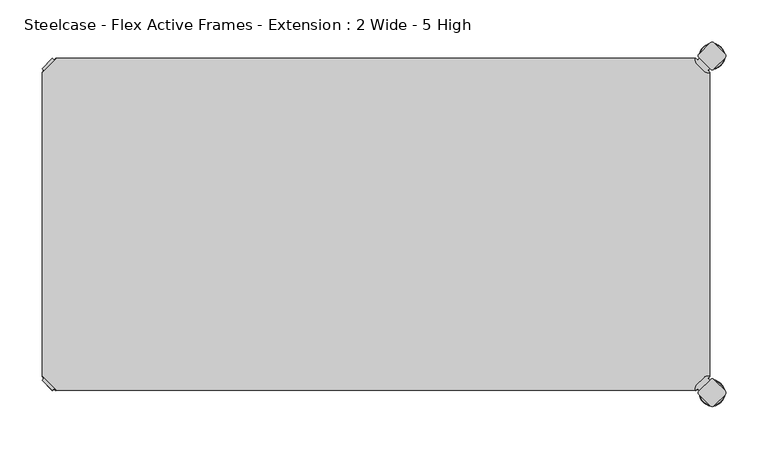
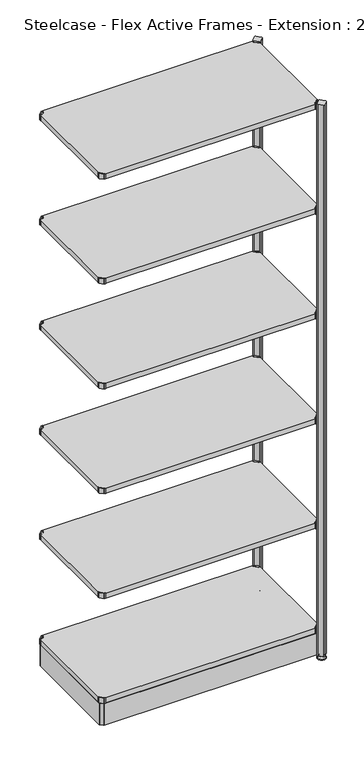
"""IFC4 building model written with IfcOpenShell, lengths in millimetres: furniture geometry, Steelcase - Flex Active Frames - Extension : 2 Wide - 5 High."""

from ifc_helpers import new_model, si_unit, point, frame, frame_2d, origin, place, context, project, spatial, polyline, circle_curve, ellipse_curve, trimmed, segment, composite_curve, outline, extrude, source, transform, mapped, element, save
from ifc_brep_helpers import plane_surface, cylinder_surface, revolved_surface, advanced_brep


def steelcase_flex_active_frames_extension_2_wide_5_high_870116cb(model_context):
    return source(origin(), model_context, "Body", "SolidModel", [
        advanced_brep(
        [(795.4995166, -396.9286835, 0.0), (809.4482375, -396.9286835, 0.0), (781.5507958, -396.9286835, 0.0), (810.3951451, -396.9286835, 2.116325), (780.6038882, -396.9286835, 2.116325), (804.2429012, -396.9286835, 8.9997406), (786.7561321, -396.9286835, 8.9997406), (802.9003852, -396.9286835, 8.9997406), (788.0986481, -396.9286835, 8.9997406), (802.9003852, -396.9286835, 12.0919909), (788.0986481, -396.9286835, 12.0919909), (802.3923852, -396.9286835, 12.5999909), (788.6066481, -396.9286835, 12.5999909), (799.518847, -396.9286835, 12.5999909), (791.4801863, -396.9286835, 12.5999909), (799.518847, -396.9286835, 22.7146261), (791.4801863, -396.9286835, 22.7146261), (795.4995166, -396.9286835, 22.7146261)],
        [
            (0, 1),
            (1, 2, circle_curve(frame((795.4995166, -396.9286835, 0.0), z_axis=(0.0, 0.0, -1.0), x_axis=(1.0, 0.0, 0.0)), 13.9487209)),
            (2, 0),
            (2, 1, circle_curve(frame((795.4995166, -396.9286835, 0.0), z_axis=(0.0, 0.0, -1.0), x_axis=(1.0, 0.0, 0.0)), 13.9487209)),
            (1, 3, circle_curve(frame((809.4482375, -396.9286835, 1.27), z_axis=(0.0, -1.0, 0.0), x_axis=(1.0, 0.0, 0.0)), 1.27)),
            (3, 4, circle_curve(frame((795.4995166, -396.9286835, 2.116325), z_axis=(0.0, 0.0, -1.0), x_axis=(1.0, 0.0, 0.0)), 14.8956285)),
            (4, 2, circle_curve(frame((781.5507958, -396.9286835, 1.27), z_axis=(0.0, -1.0, 0.0), x_axis=(-1.0, 0.0, 0.0)), 1.27)),
            (4, 3, circle_curve(frame((795.4995166, -396.9286835, 2.116325), z_axis=(0.0, 0.0, -1.0), x_axis=(1.0, 0.0, 0.0)), 14.8956285)),
            (3, 5),
            (5, 6, circle_curve(frame((795.4995166, -396.9286835, 8.9997406), z_axis=(0.0, 0.0, -1.0), x_axis=(1.0, 0.0, 0.0)), 8.7433846)),
            (6, 4),
            (6, 5, circle_curve(frame((795.4995166, -396.9286835, 8.9997406), z_axis=(0.0, 0.0, -1.0), x_axis=(1.0, 0.0, 0.0)), 8.7433846)),
            (5, 7),
            (7, 8, circle_curve(frame((795.4995166, -396.9286835, 8.9997406), z_axis=(0.0, 0.0, -1.0), x_axis=(1.0, 0.0, 0.0)), 7.4008685)),
            (8, 6),
            (8, 7, circle_curve(frame((795.4995166, -396.9286835, 8.9997406), z_axis=(0.0, 0.0, -1.0), x_axis=(1.0, 0.0, 0.0)), 7.4008685)),
            (7, 9),
            (9, 10, circle_curve(frame((795.4995166, -396.9286835, 12.0919909), z_axis=(0.0, 0.0, -1.0), x_axis=(1.0, 0.0, 0.0)), 7.4008685)),
            (10, 8),
            (10, 9, circle_curve(frame((795.4995166, -396.9286835, 12.0919909), z_axis=(0.0, 0.0, -1.0), x_axis=(1.0, 0.0, 0.0)), 7.4008685)),
            (9, 11, circle_curve(frame((802.3923852, -396.9286835, 12.0919909), z_axis=(0.0, -1.0, 0.0), x_axis=(1.0, 0.0, 0.0)), 0.508)),
            (11, 12, circle_curve(frame((795.4995166, -396.9286835, 12.5999909), z_axis=(0.0, 0.0, -1.0), x_axis=(1.0, 0.0, 0.0)), 6.8928685)),
            (12, 10, circle_curve(frame((788.6066481, -396.9286835, 12.0919909), z_axis=(0.0, -1.0, 0.0), x_axis=(-1.0, 0.0, 0.0)), 0.508)),
            (12, 11, circle_curve(frame((795.4995166, -396.9286835, 12.5999909), z_axis=(0.0, 0.0, -1.0), x_axis=(1.0, 0.0, 0.0)), 6.8928685)),
            (11, 13),
            (13, 14, circle_curve(frame((795.4995166, -396.9286835, 12.5999909), z_axis=(0.0, 0.0, -1.0), x_axis=(1.0, 0.0, 0.0)), 4.0193303)),
            (14, 12),
            (14, 13, circle_curve(frame((795.4995166, -396.9286835, 12.5999909), z_axis=(0.0, 0.0, -1.0), x_axis=(1.0, 0.0, 0.0)), 4.0193303)),
            (13, 15),
            (15, 16, circle_curve(frame((795.4995166, -396.9286835, 22.7146261), z_axis=(0.0, 0.0, -1.0), x_axis=(1.0, 0.0, 0.0)), 4.0193303)),
            (16, 14),
            (16, 15, circle_curve(frame((795.4995166, -396.9286835, 22.7146261), z_axis=(0.0, 0.0, -1.0), x_axis=(1.0, 0.0, 0.0)), 4.0193303)),
            (15, 17),
            (17, 16),
        ],
        [
            plane_surface(frame((795.4995166, -396.9286835, 0.0), z_axis=(0.0, 0.0, -1.0), x_axis=(1.0, 0.0, 0.0))),
            revolved_surface(trimmed(ellipse_curve(frame((809.4482375, -396.9286835, 1.27), z_axis=(0.0, 1.0, 0.0), x_axis=(1.0, 0.0, 0.0)), 1.27, 1.27), [point((810.3951451, -396.9286835, 2.116325))], [point((809.4482375, -396.9286835, 0.0))], True, "CARTESIAN"), (795.4995166, -396.9286835, 32.0514718), (0.0, 0.0, -1.0)),
            revolved_surface(polyline([(804.2429012, -396.9286835, 8.9997406), (810.3951451, -396.9286835, 2.116325)]), (795.4995166, -396.9286835, 32.0514718), (0.0, 0.0, -1.0)),
            plane_surface(frame((795.4995166, -396.9286835, 8.9997406), z_axis=(0.0, 0.0, 1.0), x_axis=(1.0, 0.0, 0.0))),
            cylinder_surface(frame((795.4995166, -396.9286835, 32.0514718), z_axis=(0.0, 0.0, -1.0), x_axis=(1.0, 0.0, 0.0)), 7.4008685),
            revolved_surface(trimmed(ellipse_curve(frame((802.3923852, -396.9286835, 12.0919909), z_axis=(0.0, 1.0, 0.0), x_axis=(1.0, 0.0, 0.0)), 0.508, 0.508), [point((802.3923852, -396.9286835, 12.5999909))], [point((802.9003852, -396.9286835, 12.0919909))], True, "CARTESIAN"), (795.4995166, -396.9286835, 32.0514718), (0.0, 0.0, -1.0)),
            plane_surface(frame((795.4995166, -396.9286835, 12.5999909), z_axis=(0.0, 0.0, 1.0), x_axis=(1.0, 0.0, 0.0))),
            cylinder_surface(frame((795.4995166, -396.9286835, 32.0514718), z_axis=(0.0, 0.0, -1.0), x_axis=(1.0, 0.0, 0.0)), 4.0193303),
            plane_surface(frame((795.4995166, -396.9286835, 22.7146261), z_axis=(0.0, 0.0, 1.0), x_axis=(1.0, 0.0, 0.0))),
        ],
        [
            (0, [[1, 2, 3]]),
            (0, [[-3, 4, -1]]),
            (1, [[-2, 5, 6, 7]]),
            (1, [[-4, -7, 8, -5]]),
            (2, [[-6, 9, 10, 11]]),
            (2, [[-8, -11, 12, -9]]),
            (3, [[-10, 13, 14, 15]]),
            (3, [[-12, -15, 16, -13]]),
            (4, [[-14, 17, 18, 19]]),
            (4, [[-16, -19, 20, -17]]),
            (5, [[-18, 21, 22, 23]]),
            (5, [[-20, -23, 24, -21]]),
            (6, [[-22, 25, 26, 27]]),
            (6, [[-24, -27, 28, -25]]),
            (7, [[-26, 29, 30, 31]]),
            (7, [[-28, -31, 32, -29]]),
            (8, [[-30, 33, 34]]),
            (8, [[-32, -34, -33]]),
        ],
    ),
        advanced_brep(
        [(795.4995166, 2.9246323, 0.0), (781.5507958, 2.9246323, 0.0), (809.4482375, 2.9246323, 0.0), (780.6038882, 2.9246323, 2.116325), (810.3951451, 2.9246323, 2.116325), (786.7561321, 2.9246323, 8.9997406), (804.2429012, 2.9246323, 8.9997406), (788.0986481, 2.9246323, 8.9997406), (802.9003852, 2.9246323, 8.9997406), (788.0986481, 2.9246323, 12.0919909), (802.9003852, 2.9246323, 12.0919909), (788.6066481, 2.9246323, 12.5999909), (802.3923852, 2.9246323, 12.5999909), (791.4801863, 2.9246323, 12.5999909), (799.518847, 2.9246323, 12.5999909), (791.4801863, 2.9246323, 22.7146261), (799.518847, 2.9246323, 22.7146261), (795.4995166, 2.9246323, 22.7146261)],
        [
            (0, 1),
            (1, 2, circle_curve(frame((795.4995166, 2.9246323, 0.0), z_axis=(0.0, 0.0, -1.0), x_axis=(1.0, 0.0, 0.0)), 13.9487209)),
            (2, 0),
            (2, 1, circle_curve(frame((795.4995166, 2.9246323, 0.0), z_axis=(0.0, 0.0, -1.0), x_axis=(1.0, 0.0, 0.0)), 13.9487209)),
            (1, 3, circle_curve(frame((781.5507958, 2.9246323, 1.27), z_axis=(0.0, 1.0, 0.0), x_axis=(-1.0, 0.0, 0.0)), 1.27)),
            (3, 4, circle_curve(frame((795.4995166, 2.9246323, 2.116325), z_axis=(0.0, 0.0, -1.0), x_axis=(1.0, 0.0, 0.0)), 14.8956285)),
            (4, 2, circle_curve(frame((809.4482375, 2.9246323, 1.27), z_axis=(0.0, 1.0, 0.0), x_axis=(1.0, 0.0, 0.0)), 1.27)),
            (4, 3, circle_curve(frame((795.4995166, 2.9246323, 2.116325), z_axis=(0.0, 0.0, -1.0), x_axis=(1.0, 0.0, 0.0)), 14.8956285)),
            (3, 5),
            (5, 6, circle_curve(frame((795.4995166, 2.9246323, 8.9997406), z_axis=(0.0, 0.0, -1.0), x_axis=(1.0, 0.0, 0.0)), 8.7433846)),
            (6, 4),
            (6, 5, circle_curve(frame((795.4995166, 2.9246323, 8.9997406), z_axis=(0.0, 0.0, -1.0), x_axis=(1.0, 0.0, 0.0)), 8.7433846)),
            (5, 7),
            (7, 8, circle_curve(frame((795.4995166, 2.9246323, 8.9997406), z_axis=(0.0, 0.0, -1.0), x_axis=(1.0, 0.0, 0.0)), 7.4008685)),
            (8, 6),
            (8, 7, circle_curve(frame((795.4995166, 2.9246323, 8.9997406), z_axis=(0.0, 0.0, -1.0), x_axis=(1.0, 0.0, 0.0)), 7.4008685)),
            (7, 9),
            (9, 10, circle_curve(frame((795.4995166, 2.9246323, 12.0919909), z_axis=(0.0, 0.0, -1.0), x_axis=(1.0, 0.0, 0.0)), 7.4008685)),
            (10, 8),
            (10, 9, circle_curve(frame((795.4995166, 2.9246323, 12.0919909), z_axis=(0.0, 0.0, -1.0), x_axis=(1.0, 0.0, 0.0)), 7.4008685)),
            (9, 11, circle_curve(frame((788.6066481, 2.9246323, 12.0919909), z_axis=(0.0, 1.0, 0.0), x_axis=(-1.0, 0.0, 0.0)), 0.508)),
            (11, 12, circle_curve(frame((795.4995166, 2.9246323, 12.5999909), z_axis=(0.0, 0.0, -1.0), x_axis=(1.0, 0.0, 0.0)), 6.8928685)),
            (12, 10, circle_curve(frame((802.3923852, 2.9246323, 12.0919909), z_axis=(0.0, 1.0, 0.0), x_axis=(1.0, 0.0, 0.0)), 0.508)),
            (12, 11, circle_curve(frame((795.4995166, 2.9246323, 12.5999909), z_axis=(0.0, 0.0, -1.0), x_axis=(1.0, 0.0, 0.0)), 6.8928685)),
            (11, 13),
            (13, 14, circle_curve(frame((795.4995166, 2.9246323, 12.5999909), z_axis=(0.0, 0.0, -1.0), x_axis=(1.0, 0.0, 0.0)), 4.0193303)),
            (14, 12),
            (14, 13, circle_curve(frame((795.4995166, 2.9246323, 12.5999909), z_axis=(0.0, 0.0, -1.0), x_axis=(1.0, 0.0, 0.0)), 4.0193303)),
            (13, 15),
            (15, 16, circle_curve(frame((795.4995166, 2.9246323, 22.7146261), z_axis=(0.0, 0.0, -1.0), x_axis=(1.0, 0.0, 0.0)), 4.0193303)),
            (16, 14),
            (16, 15, circle_curve(frame((795.4995166, 2.9246323, 22.7146261), z_axis=(0.0, 0.0, -1.0), x_axis=(1.0, 0.0, 0.0)), 4.0193303)),
            (15, 17),
            (17, 16),
        ],
        [
            plane_surface(frame((795.4995166, 2.9246323, 0.0), z_axis=(0.0, 0.0, -1.0), x_axis=(1.0, 0.0, 0.0))),
            revolved_surface(trimmed(ellipse_curve(frame((809.4482375, 2.9246323, 1.27), z_axis=(0.0, 1.0, 0.0), x_axis=(1.0, 0.0, 0.0)), 1.27, 1.27), [point((810.3951451, 2.9246323, 2.116325))], [point((809.4482375, 2.9246323, 0.0))], True, "CARTESIAN"), (795.4995166, 2.9246323, 32.0514718), (0.0, 0.0, -1.0)),
            revolved_surface(polyline([(804.2429012, 2.9246323, 8.9997406), (810.3951451, 2.9246323, 2.116325)]), (795.4995166, 2.9246323, 32.0514718), (0.0, 0.0, -1.0)),
            plane_surface(frame((795.4995166, 2.9246323, 8.9997406), z_axis=(0.0, 0.0, 1.0), x_axis=(1.0, 0.0, 0.0))),
            cylinder_surface(frame((795.4995166, 2.9246323, 32.0514718), z_axis=(0.0, 0.0, -1.0), x_axis=(1.0, 0.0, 0.0)), 7.4008685),
            revolved_surface(trimmed(ellipse_curve(frame((802.3923852, 2.9246323, 12.0919909), z_axis=(0.0, 1.0, 0.0), x_axis=(1.0, 0.0, 0.0)), 0.508, 0.508), [point((802.3923852, 2.9246323, 12.5999909))], [point((802.9003852, 2.9246323, 12.0919909))], True, "CARTESIAN"), (795.4995166, 2.9246323, 32.0514718), (0.0, 0.0, -1.0)),
            plane_surface(frame((795.4995166, 2.9246323, 12.5999909), z_axis=(0.0, 0.0, 1.0), x_axis=(1.0, 0.0, 0.0))),
            cylinder_surface(frame((795.4995166, 2.9246323, 32.0514718), z_axis=(0.0, 0.0, -1.0), x_axis=(1.0, 0.0, 0.0)), 4.0193303),
            plane_surface(frame((795.4995166, 2.9246323, 22.7146261), z_axis=(0.0, 0.0, 1.0), x_axis=(1.0, 0.0, 0.0))),
        ],
        [
            (0, [[1, 2, 3]]),
            (0, [[-3, 4, -1]]),
            (1, [[5, 6, 7, -2]]),
            (1, [[-7, 8, -5, -4]]),
            (2, [[9, 10, 11, -6]]),
            (2, [[-11, 12, -9, -8]]),
            (3, [[13, 14, 15, -10]]),
            (3, [[-15, 16, -13, -12]]),
            (4, [[17, 18, 19, -14]]),
            (4, [[-19, 20, -17, -16]]),
            (5, [[21, 22, 23, -18]]),
            (5, [[-23, 24, -21, -20]]),
            (6, [[25, 26, 27, -22]]),
            (6, [[-27, 28, -25, -24]]),
            (7, [[29, 30, 31, -26]]),
            (7, [[-31, 32, -29, -28]]),
            (8, [[33, 34, -30]]),
            (8, [[-34, -33, -32]]),
        ],
    ),
        extrude(outline(composite_curve([segment(polyline([(778.3364357, -1.93874), (780.4244011, 0.1493247), (792.6187028, -12.044977), (790.530772, -14.1329326), (792.5017057, -16.1038431), (792.4895198, -17.203916), (789.7543812, -16.8384277)]), True, "CONTINUOUS"), segment(trimmed(circle_curve(frame_2d((790.5954366, -10.5443729)), 6.35), [point((789.7543812, -16.8384277))], [point((786.1052784, -15.0344708))], False, "CARTESIAN"), True, "CONTINUOUS"), segment(polyline([(786.1052784, -15.0344708), (777.4359854, -6.3650612)]), True, "CONTINUOUS"), segment(trimmed(circle_curve(frame_2d((781.9261436, -1.8749633)), 6.35), [point((777.4359854, -6.3650612))], [point((775.6321123, -2.7161946))], False, "CARTESIAN"), True, "CONTINUOUS"), segment(polyline([(775.6321123, -2.7161946), (775.26654, 0.0189911), (776.3664729, 0.0311996), (778.3364357, -1.93874)]), True, "CONTINUOUS")], self_intersect=False)), frame((0.0, 0.0, 2096.4822075), z_axis=(0.0, 0.0, 1.0), x_axis=(1.0, 0.0, 0.0)), (0.0, 0.0, 1.0), 20.2281258),
        extrude(outline(composite_curve([segment(polyline([(778.3364357, -392.01526), (776.3664729, -393.9851996), (775.26654, -393.9729911), (775.6321123, -391.2378054)]), True, "CONTINUOUS"), segment(trimmed(circle_curve(frame_2d((781.9261436, -392.0790367)), 6.35), [point((775.6321123, -391.2378054))], [point((777.4359854, -387.5889388))], False, "CARTESIAN"), True, "CONTINUOUS"), segment(polyline([(777.4359854, -387.5889388), (786.1052784, -378.9195292)]), True, "CONTINUOUS"), segment(trimmed(circle_curve(frame_2d((790.5954366, -383.4096271)), 6.35), [point((786.1052784, -378.9195292))], [point((789.7543812, -377.1155723))], False, "CARTESIAN"), True, "CONTINUOUS"), segment(polyline([(789.7543812, -377.1155723), (792.4895198, -376.750084), (792.5017057, -377.8501569), (790.530772, -379.8210674), (792.6187028, -381.909023), (780.4244011, -394.1033247), (778.3364357, -392.01526)]), True, "CONTINUOUS")], self_intersect=False)), frame((0.0, 0.0, 2096.4822075), z_axis=(0.0, 0.0, 1.0), x_axis=(1.0, 0.0, 0.0)), (0.0, 0.0, 1.0), 20.2281258),
        extrude(outline(polyline([(0.0003876, -376.7599914), (0.0003876, -17.1940086), (17.1943962, 0.0), (775.2856038, 0.0), (792.4796124, -17.1940086), (792.4796124, -376.7599914), (775.2856038, -393.954), (17.1943962, -393.954), (0.0003876, -376.7599914)])), frame((0.0, 0.0, 2097.4996841), z_axis=(0.0, 0.0, 1.0), x_axis=(1.0, 0.0, 0.0)), (0.0, 0.0, 1.0), 19.0000031),
        extrude(outline(composite_curve([segment(polyline([(14.1435643, -1.93874), (16.1135271, 0.0311996), (17.21346, 0.0189911), (16.8478877, -2.7161946)]), True, "CONTINUOUS"), segment(trimmed(circle_curve(frame_2d((10.5538564, -1.8749633)), 6.35), [point((16.8478877, -2.7161946))], [point((15.0440146, -6.3650612))], False, "CARTESIAN"), True, "CONTINUOUS"), segment(polyline([(15.0440146, -6.3650612), (6.3747216, -15.0344708)]), True, "CONTINUOUS"), segment(trimmed(circle_curve(frame_2d((1.8845634, -10.5443729)), 6.35), [point((6.3747216, -15.0344708))], [point((2.7256188, -16.8384277))], False, "CARTESIAN"), True, "CONTINUOUS"), segment(polyline([(2.7256188, -16.8384277), (-0.0095198, -17.203916), (-0.0217057, -16.1038431), (1.949228, -14.1329326), (-0.1387028, -12.044977), (12.0555989, 0.1493247), (14.1435643, -1.93874)]), True, "CONTINUOUS")], self_intersect=False)), frame((0.0, 0.0, 2096.4822075), z_axis=(0.0, 0.0, 1.0), x_axis=(1.0, 0.0, 0.0)), (0.0, 0.0, 1.0), 20.2281258),
        extrude(outline(composite_curve([segment(polyline([(14.1435643, -392.01526), (12.0555989, -394.1033247), (-0.1387028, -381.909023), (1.949228, -379.8210674), (-0.0217057, -377.8501569), (-0.0095198, -376.750084), (2.7256188, -377.1155723)]), True, "CONTINUOUS"), segment(trimmed(circle_curve(frame_2d((1.8845634, -383.4096271)), 6.35), [point((2.7256188, -377.1155723))], [point((6.3747216, -378.9195292))], False, "CARTESIAN"), True, "CONTINUOUS"), segment(polyline([(6.3747216, -378.9195292), (15.0440146, -387.5889388)]), True, "CONTINUOUS"), segment(trimmed(circle_curve(frame_2d((10.5538564, -392.0790367)), 6.35), [point((15.0440146, -387.5889388))], [point((16.8478877, -391.2378054))], False, "CARTESIAN"), True, "CONTINUOUS"), segment(polyline([(16.8478877, -391.2378054), (17.21346, -393.9729911), (16.1135271, -393.9851996), (14.1435643, -392.01526)]), True, "CONTINUOUS")], self_intersect=False)), frame((0.0, 0.0, 2096.4822075), z_axis=(0.0, 0.0, 1.0), x_axis=(1.0, 0.0, 0.0)), (0.0, 0.0, 1.0), 20.2281258),
        extrude(outline(composite_curve([segment(polyline([(778.3364357, -1.93874), (780.4244011, 0.1493247), (792.6187028, -12.044977), (790.530772, -14.1329326), (792.5017057, -16.1038431), (792.4895198, -17.203916), (789.7543812, -16.8384277)]), True, "CONTINUOUS"), segment(trimmed(circle_curve(frame_2d((790.5954366, -10.5443729)), 6.35), [point((789.7543812, -16.8384277))], [point((786.1052784, -15.0344708))], False, "CARTESIAN"), True, "CONTINUOUS"), segment(polyline([(786.1052784, -15.0344708), (777.4359854, -6.3650612)]), True, "CONTINUOUS"), segment(trimmed(circle_curve(frame_2d((781.9261436, -1.8749633)), 6.35), [point((777.4359854, -6.3650612))], [point((775.6321123, -2.7161946))], False, "CARTESIAN"), True, "CONTINUOUS"), segment(polyline([(775.6321123, -2.7161946), (775.26654, 0.0189911), (776.3664729, 0.0311996), (778.3364357, -1.93874)]), True, "CONTINUOUS")], self_intersect=False)), frame((0.0, 0.0, 1696.4822044), z_axis=(0.0, 0.0, 1.0), x_axis=(1.0, 0.0, 0.0)), (0.0, 0.0, 1.0), 20.2281258),
        extrude(outline(composite_curve([segment(polyline([(778.3364357, -392.01526), (776.3664729, -393.9851996), (775.26654, -393.9729911), (775.6321123, -391.2378054)]), True, "CONTINUOUS"), segment(trimmed(circle_curve(frame_2d((781.9261436, -392.0790367)), 6.35), [point((775.6321123, -391.2378054))], [point((777.4359854, -387.5889388))], False, "CARTESIAN"), True, "CONTINUOUS"), segment(polyline([(777.4359854, -387.5889388), (786.1052784, -378.9195292)]), True, "CONTINUOUS"), segment(trimmed(circle_curve(frame_2d((790.5954366, -383.4096271)), 6.35), [point((786.1052784, -378.9195292))], [point((789.7543812, -377.1155723))], False, "CARTESIAN"), True, "CONTINUOUS"), segment(polyline([(789.7543812, -377.1155723), (792.4895198, -376.750084), (792.5017057, -377.8501569), (790.530772, -379.8210674), (792.6187028, -381.909023), (780.4244011, -394.1033247), (778.3364357, -392.01526)]), True, "CONTINUOUS")], self_intersect=False)), frame((0.0, 0.0, 1696.4822044), z_axis=(0.0, 0.0, 1.0), x_axis=(1.0, 0.0, 0.0)), (0.0, 0.0, 1.0), 20.2281258),
        extrude(outline(polyline([(0.0003876, -376.7599914), (0.0003876, -17.1940086), (17.1943962, 0.0), (775.2856038, 0.0), (792.4796124, -17.1940086), (792.4796124, -376.7599914), (775.2856038, -393.954), (17.1943962, -393.954), (0.0003876, -376.7599914)])), frame((0.0, 0.0, 1697.4996811), z_axis=(0.0, 0.0, 1.0), x_axis=(1.0, 0.0, 0.0)), (0.0, 0.0, 1.0), 19.0000031),
        extrude(outline(composite_curve([segment(polyline([(14.1435643, -1.93874), (16.1135271, 0.0311996), (17.21346, 0.0189911), (16.8478877, -2.7161946)]), True, "CONTINUOUS"), segment(trimmed(circle_curve(frame_2d((10.5538564, -1.8749633)), 6.35), [point((16.8478877, -2.7161946))], [point((15.0440146, -6.3650612))], False, "CARTESIAN"), True, "CONTINUOUS"), segment(polyline([(15.0440146, -6.3650612), (6.3747216, -15.0344708)]), True, "CONTINUOUS"), segment(trimmed(circle_curve(frame_2d((1.8845634, -10.5443729)), 6.35), [point((6.3747216, -15.0344708))], [point((2.7256188, -16.8384277))], False, "CARTESIAN"), True, "CONTINUOUS"), segment(polyline([(2.7256188, -16.8384277), (-0.0095198, -17.203916), (-0.0217057, -16.1038431), (1.949228, -14.1329326), (-0.1387028, -12.044977), (12.0555989, 0.1493247), (14.1435643, -1.93874)]), True, "CONTINUOUS")], self_intersect=False)), frame((0.0, 0.0, 1696.4822044), z_axis=(0.0, 0.0, 1.0), x_axis=(1.0, 0.0, 0.0)), (0.0, 0.0, 1.0), 20.2281258),
        extrude(outline(composite_curve([segment(polyline([(14.1435643, -392.01526), (12.0555989, -394.1033247), (-0.1387028, -381.909023), (1.949228, -379.8210674), (-0.0217057, -377.8501569), (-0.0095198, -376.750084), (2.7256188, -377.1155723)]), True, "CONTINUOUS"), segment(trimmed(circle_curve(frame_2d((1.8845634, -383.4096271)), 6.35), [point((2.7256188, -377.1155723))], [point((6.3747216, -378.9195292))], False, "CARTESIAN"), True, "CONTINUOUS"), segment(polyline([(6.3747216, -378.9195292), (15.0440146, -387.5889388)]), True, "CONTINUOUS"), segment(trimmed(circle_curve(frame_2d((10.5538564, -392.0790367)), 6.35), [point((15.0440146, -387.5889388))], [point((16.8478877, -391.2378054))], False, "CARTESIAN"), True, "CONTINUOUS"), segment(polyline([(16.8478877, -391.2378054), (17.21346, -393.9729911), (16.1135271, -393.9851996), (14.1435643, -392.01526)]), True, "CONTINUOUS")], self_intersect=False)), frame((0.0, 0.0, 1696.4822044), z_axis=(0.0, 0.0, 1.0), x_axis=(1.0, 0.0, 0.0)), (0.0, 0.0, 1.0), 20.2281258),
        extrude(outline(composite_curve([segment(polyline([(778.3364357, -1.93874), (780.4244011, 0.1493247), (792.6187028, -12.044977), (790.530772, -14.1329326), (792.5017057, -16.1038431), (792.4895198, -17.203916), (789.7543812, -16.8384277)]), True, "CONTINUOUS"), segment(trimmed(circle_curve(frame_2d((790.5954366, -10.5443729)), 6.35), [point((789.7543812, -16.8384277))], [point((786.1052784, -15.0344708))], False, "CARTESIAN"), True, "CONTINUOUS"), segment(polyline([(786.1052784, -15.0344708), (777.4359854, -6.3650612)]), True, "CONTINUOUS"), segment(trimmed(circle_curve(frame_2d((781.9261436, -1.8749633)), 6.35), [point((777.4359854, -6.3650612))], [point((775.6321123, -2.7161946))], False, "CARTESIAN"), True, "CONTINUOUS"), segment(polyline([(775.6321123, -2.7161946), (775.26654, 0.0189911), (776.3664729, 0.0311996), (778.3364357, -1.93874)]), True, "CONTINUOUS")], self_intersect=False)), frame((0.0, 0.0, 1296.4822014), z_axis=(0.0, 0.0, 1.0), x_axis=(1.0, 0.0, 0.0)), (0.0, 0.0, 1.0), 20.2281258),
        extrude(outline(composite_curve([segment(polyline([(778.3364357, -392.01526), (776.3664729, -393.9851996), (775.26654, -393.9729911), (775.6321123, -391.2378054)]), True, "CONTINUOUS"), segment(trimmed(circle_curve(frame_2d((781.9261436, -392.0790367)), 6.35), [point((775.6321123, -391.2378054))], [point((777.4359854, -387.5889388))], False, "CARTESIAN"), True, "CONTINUOUS"), segment(polyline([(777.4359854, -387.5889388), (786.1052784, -378.9195292)]), True, "CONTINUOUS"), segment(trimmed(circle_curve(frame_2d((790.5954366, -383.4096271)), 6.35), [point((786.1052784, -378.9195292))], [point((789.7543812, -377.1155723))], False, "CARTESIAN"), True, "CONTINUOUS"), segment(polyline([(789.7543812, -377.1155723), (792.4895198, -376.750084), (792.5017057, -377.8501569), (790.530772, -379.8210674), (792.6187028, -381.909023), (780.4244011, -394.1033247), (778.3364357, -392.01526)]), True, "CONTINUOUS")], self_intersect=False)), frame((0.0, 0.0, 1296.4822014), z_axis=(0.0, 0.0, 1.0), x_axis=(1.0, 0.0, 0.0)), (0.0, 0.0, 1.0), 20.2281258),
        extrude(outline(polyline([(0.0003876, -376.7599914), (0.0003876, -17.1940086), (17.1943962, 0.0), (775.2856038, 0.0), (792.4796124, -17.1940086), (792.4796124, -376.7599914), (775.2856038, -393.954), (17.1943962, -393.954), (0.0003876, -376.7599914)])), frame((0.0, 0.0, 1297.499678), z_axis=(0.0, 0.0, 1.0), x_axis=(1.0, 0.0, 0.0)), (0.0, 0.0, 1.0), 19.0000031),
        extrude(outline(composite_curve([segment(polyline([(14.1435643, -1.93874), (16.1135271, 0.0311996), (17.21346, 0.0189911), (16.8478877, -2.7161946)]), True, "CONTINUOUS"), segment(trimmed(circle_curve(frame_2d((10.5538564, -1.8749633)), 6.35), [point((16.8478877, -2.7161946))], [point((15.0440146, -6.3650612))], False, "CARTESIAN"), True, "CONTINUOUS"), segment(polyline([(15.0440146, -6.3650612), (6.3747216, -15.0344708)]), True, "CONTINUOUS"), segment(trimmed(circle_curve(frame_2d((1.8845634, -10.5443729)), 6.35), [point((6.3747216, -15.0344708))], [point((2.7256188, -16.8384277))], False, "CARTESIAN"), True, "CONTINUOUS"), segment(polyline([(2.7256188, -16.8384277), (-0.0095198, -17.203916), (-0.0217057, -16.1038431), (1.949228, -14.1329326), (-0.1387028, -12.044977), (12.0555989, 0.1493247), (14.1435643, -1.93874)]), True, "CONTINUOUS")], self_intersect=False)), frame((0.0, 0.0, 1296.4822014), z_axis=(0.0, 0.0, 1.0), x_axis=(1.0, 0.0, 0.0)), (0.0, 0.0, 1.0), 20.2281258),
        extrude(outline(composite_curve([segment(polyline([(14.1435643, -392.01526), (12.0555989, -394.1033247), (-0.1387028, -381.909023), (1.949228, -379.8210674), (-0.0217057, -377.8501569), (-0.0095198, -376.750084), (2.7256188, -377.1155723)]), True, "CONTINUOUS"), segment(trimmed(circle_curve(frame_2d((1.8845634, -383.4096271)), 6.35), [point((2.7256188, -377.1155723))], [point((6.3747216, -378.9195292))], False, "CARTESIAN"), True, "CONTINUOUS"), segment(polyline([(6.3747216, -378.9195292), (15.0440146, -387.5889388)]), True, "CONTINUOUS"), segment(trimmed(circle_curve(frame_2d((10.5538564, -392.0790367)), 6.35), [point((15.0440146, -387.5889388))], [point((16.8478877, -391.2378054))], False, "CARTESIAN"), True, "CONTINUOUS"), segment(polyline([(16.8478877, -391.2378054), (17.21346, -393.9729911), (16.1135271, -393.9851996), (14.1435643, -392.01526)]), True, "CONTINUOUS")], self_intersect=False)), frame((0.0, 0.0, 1296.4822014), z_axis=(0.0, 0.0, 1.0), x_axis=(1.0, 0.0, 0.0)), (0.0, 0.0, 1.0), 20.2281258),
        extrude(outline(composite_curve([segment(polyline([(778.3364357, -1.93874), (780.4244011, 0.1493247), (792.6187028, -12.044977), (790.530772, -14.1329326), (792.5017057, -16.1038431), (792.4895198, -17.203916), (789.7543812, -16.8384277)]), True, "CONTINUOUS"), segment(trimmed(circle_curve(frame_2d((790.5954366, -10.5443729)), 6.35), [point((789.7543812, -16.8384277))], [point((786.1052784, -15.0344708))], False, "CARTESIAN"), True, "CONTINUOUS"), segment(polyline([(786.1052784, -15.0344708), (777.4359854, -6.3650612)]), True, "CONTINUOUS"), segment(trimmed(circle_curve(frame_2d((781.9261436, -1.8749633)), 6.35), [point((777.4359854, -6.3650612))], [point((775.6321123, -2.7161946))], False, "CARTESIAN"), True, "CONTINUOUS"), segment(polyline([(775.6321123, -2.7161946), (775.26654, 0.0189911), (776.3664729, 0.0311996), (778.3364357, -1.93874)]), True, "CONTINUOUS")], self_intersect=False)), frame((0.0, 0.0, 896.4822952), z_axis=(0.0, 0.0, 1.0), x_axis=(1.0, 0.0, 0.0)), (0.0, 0.0, 1.0), 20.2281258),
        extrude(outline(composite_curve([segment(polyline([(778.3364357, -392.01526), (776.3664729, -393.9851996), (775.26654, -393.9729911), (775.6321123, -391.2378054)]), True, "CONTINUOUS"), segment(trimmed(circle_curve(frame_2d((781.9261436, -392.0790367)), 6.35), [point((775.6321123, -391.2378054))], [point((777.4359854, -387.5889388))], False, "CARTESIAN"), True, "CONTINUOUS"), segment(polyline([(777.4359854, -387.5889388), (786.1052784, -378.9195292)]), True, "CONTINUOUS"), segment(trimmed(circle_curve(frame_2d((790.5954366, -383.4096271)), 6.35), [point((786.1052784, -378.9195292))], [point((789.7543812, -377.1155723))], False, "CARTESIAN"), True, "CONTINUOUS"), segment(polyline([(789.7543812, -377.1155723), (792.4895198, -376.750084), (792.5017057, -377.8501569), (790.530772, -379.8210674), (792.6187028, -381.909023), (780.4244011, -394.1033247), (778.3364357, -392.01526)]), True, "CONTINUOUS")], self_intersect=False)), frame((0.0, 0.0, 896.4822952), z_axis=(0.0, 0.0, 1.0), x_axis=(1.0, 0.0, 0.0)), (0.0, 0.0, 1.0), 20.2281258),
        extrude(outline(composite_curve([segment(polyline([(778.3364357, -1.93874), (780.4244011, 0.1493247), (792.6187028, -12.044977), (790.530772, -14.1329326), (792.5017057, -16.1038431), (792.4895198, -17.203916), (789.7543812, -16.8384277)]), True, "CONTINUOUS"), segment(trimmed(circle_curve(frame_2d((790.5954366, -10.5443729)), 6.35), [point((789.7543812, -16.8384277))], [point((786.1052784, -15.0344708))], False, "CARTESIAN"), True, "CONTINUOUS"), segment(polyline([(786.1052784, -15.0344708), (777.4359854, -6.3650612)]), True, "CONTINUOUS"), segment(trimmed(circle_curve(frame_2d((781.9261436, -1.8749633)), 6.35), [point((777.4359854, -6.3650612))], [point((775.6321123, -2.7161946))], False, "CARTESIAN"), True, "CONTINUOUS"), segment(polyline([(775.6321123, -2.7161946), (775.26654, 0.0189911), (776.3664729, 0.0311996), (778.3364357, -1.93874)]), True, "CONTINUOUS")], self_intersect=False)), frame((0.0, 0.0, 496.4821468), z_axis=(0.0, 0.0, 1.0), x_axis=(1.0, 0.0, 0.0)), (0.0, 0.0, 1.0), 20.2281258),
        extrude(outline(composite_curve([segment(polyline([(778.3364357, -392.01526), (776.3664729, -393.9851996), (775.26654, -393.9729911), (775.6321123, -391.2378054)]), True, "CONTINUOUS"), segment(trimmed(circle_curve(frame_2d((781.9261436, -392.0790367)), 6.35), [point((775.6321123, -391.2378054))], [point((777.4359854, -387.5889388))], False, "CARTESIAN"), True, "CONTINUOUS"), segment(polyline([(777.4359854, -387.5889388), (786.1052784, -378.9195292)]), True, "CONTINUOUS"), segment(trimmed(circle_curve(frame_2d((790.5954366, -383.4096271)), 6.35), [point((786.1052784, -378.9195292))], [point((789.7543812, -377.1155723))], False, "CARTESIAN"), True, "CONTINUOUS"), segment(polyline([(789.7543812, -377.1155723), (792.4895198, -376.750084), (792.5017057, -377.8501569), (790.530772, -379.8210674), (792.6187028, -381.909023), (780.4244011, -394.1033247), (778.3364357, -392.01526)]), True, "CONTINUOUS")], self_intersect=False)), frame((0.0, 0.0, 496.4821468), z_axis=(0.0, 0.0, 1.0), x_axis=(1.0, 0.0, 0.0)), (0.0, 0.0, 1.0), 20.2281258),
        extrude(outline(composite_curve([segment(polyline([(778.3364357, -1.93874), (780.4244011, 0.1493247), (792.6187028, -12.044977), (790.530772, -14.1329326), (792.5017057, -16.1038431), (792.4895198, -17.203916), (789.7543812, -16.8384277)]), True, "CONTINUOUS"), segment(trimmed(circle_curve(frame_2d((790.5954366, -10.5443729)), 6.35), [point((789.7543812, -16.8384277))], [point((786.1052784, -15.0344708))], False, "CARTESIAN"), True, "CONTINUOUS"), segment(polyline([(786.1052784, -15.0344708), (777.4359854, -6.3650612)]), True, "CONTINUOUS"), segment(trimmed(circle_curve(frame_2d((781.9261436, -1.8749633)), 6.35), [point((777.4359854, -6.3650612))], [point((775.6321123, -2.7161946))], False, "CARTESIAN"), True, "CONTINUOUS"), segment(polyline([(775.6321123, -2.7161946), (775.26654, 0.0189911), (776.3664729, 0.0311996), (778.3364357, -1.93874)]), True, "CONTINUOUS")], self_intersect=False)), frame((0.0, 0.0, 96.4824829), z_axis=(0.0, 0.0, 1.0), x_axis=(1.0, 0.0, 0.0)), (0.0, 0.0, 1.0), 20.2281258),
        extrude(outline(composite_curve([segment(polyline([(778.3364357, -392.01526), (776.3664729, -393.9851996), (775.26654, -393.9729911), (775.6321123, -391.2378054)]), True, "CONTINUOUS"), segment(trimmed(circle_curve(frame_2d((781.9261436, -392.0790367)), 6.35), [point((775.6321123, -391.2378054))], [point((777.4359854, -387.5889388))], False, "CARTESIAN"), True, "CONTINUOUS"), segment(polyline([(777.4359854, -387.5889388), (786.1052784, -378.9195292)]), True, "CONTINUOUS"), segment(trimmed(circle_curve(frame_2d((790.5954366, -383.4096271)), 6.35), [point((786.1052784, -378.9195292))], [point((789.7543812, -377.1155723))], False, "CARTESIAN"), True, "CONTINUOUS"), segment(polyline([(789.7543812, -377.1155723), (792.4895198, -376.750084), (792.5017057, -377.8501569), (790.530772, -379.8210674), (792.6187028, -381.909023), (780.4244011, -394.1033247), (778.3364357, -392.01526)]), True, "CONTINUOUS")], self_intersect=False)), frame((0.0, 0.0, 96.4824829), z_axis=(0.0, 0.0, 1.0), x_axis=(1.0, 0.0, 0.0)), (0.0, 0.0, 1.0), 20.2281258),
        extrude(outline(composite_curve([segment(trimmed(circle_curve(frame_2d((808.8538021, 2.9983545)), 3.048), [point((811.0090767, 5.1536029))], [point((811.0090505, 0.8430799))], False, "CARTESIAN"), True, "CONTINUOUS"), segment(polyline([(811.0090505, 0.8430799), (797.6462856, -12.5195224)]), True, "CONTINUOUS"), segment(trimmed(circle_curve(frame_2d((795.4910373, -10.3642478)), 3.048), [point((797.6462856, -12.5195224))], [point((793.3357649, -12.5194983))], False, "CARTESIAN"), True, "CONTINUOUS"), segment(polyline([(793.3357649, -12.5194983), (779.9732856, 0.8431164)]), True, "CONTINUOUS"), segment(trimmed(circle_curve(frame_2d((782.128558, 2.998367)), 3.048), [point((779.9732856, 0.8431164))], [point((779.9732965, 5.1536284))], False, "CARTESIAN"), True, "CONTINUOUS"), segment(polyline([(779.9732965, 5.1536284), (793.3359936, 18.5163256)]), True, "CONTINUOUS"), segment(trimmed(circle_curve(frame_2d((795.4912551, 16.3610641)), 3.048), [point((793.3359936, 18.5163256))], [point((797.6465297, 18.5163124))], False, "CARTESIAN"), True, "CONTINUOUS"), segment(polyline([(797.6465297, 18.5163124), (811.0090767, 5.1536029)]), True, "CONTINUOUS")], self_intersect=False)), frame((0.0, 0.0, 12.5999909), z_axis=(0.0, 0.0, 1.0), x_axis=(1.0, 0.0, 0.0)), (0.0, 0.0, 1.0), 2103.9820091),
        extrude(outline(composite_curve([segment(polyline([(811.0090767, -399.1076029), (797.6465297, -412.4703124)]), True, "CONTINUOUS"), segment(trimmed(circle_curve(frame_2d((795.4912551, -410.3150641)), 3.048), [point((797.6465297, -412.4703124))], [point((793.3359936, -412.4703256))], False, "CARTESIAN"), True, "CONTINUOUS"), segment(polyline([(793.3359936, -412.4703256), (779.9732965, -399.1076284)]), True, "CONTINUOUS"), segment(trimmed(circle_curve(frame_2d((782.128558, -396.952367)), 3.048), [point((779.9732965, -399.1076284))], [point((779.9732856, -394.7971164))], False, "CARTESIAN"), True, "CONTINUOUS"), segment(polyline([(779.9732856, -394.7971164), (793.3357649, -381.4345017)]), True, "CONTINUOUS"), segment(trimmed(circle_curve(frame_2d((795.4910373, -383.5897522)), 3.048), [point((793.3357649, -381.4345017))], [point((797.6462856, -381.4344776))], False, "CARTESIAN"), True, "CONTINUOUS"), segment(polyline([(797.6462856, -381.4344776), (811.0090505, -394.7970799)]), True, "CONTINUOUS"), segment(trimmed(circle_curve(frame_2d((808.8538021, -396.9523545)), 3.048), [point((811.0090505, -394.7970799))], [point((811.0090767, -399.1076029))], False, "CARTESIAN"), True, "CONTINUOUS")], self_intersect=False)), frame((0.0, 0.0, 12.5999909), z_axis=(0.0, 0.0, 1.0), x_axis=(1.0, 0.0, 0.0)), (0.0, 0.0, 1.0), 2103.9820091),
        extrude(outline(polyline([(0.0003876, -376.7599914), (0.0003876, -17.1940086), (17.1943962, 0.0), (775.2856038, 0.0), (792.4796124, -17.1940086), (792.4796124, -376.7599914), (775.2856038, -393.954), (17.1943962, -393.954), (0.0003876, -376.7599914)])), frame((0.0, 0.0, 97.4999596), z_axis=(0.0, 0.0, 1.0), x_axis=(1.0, 0.0, 0.0)), (0.0, 0.0, 1.0), 19.0000031),
        extrude(outline(composite_curve([segment(polyline([(14.1435643, -1.93874), (16.1135271, 0.0311996), (17.21346, 0.0189911), (16.8478877, -2.7161946)]), True, "CONTINUOUS"), segment(trimmed(circle_curve(frame_2d((10.5538564, -1.8749633)), 6.35), [point((16.8478877, -2.7161946))], [point((15.0440146, -6.3650612))], False, "CARTESIAN"), True, "CONTINUOUS"), segment(polyline([(15.0440146, -6.3650612), (6.3747216, -15.0344708)]), True, "CONTINUOUS"), segment(trimmed(circle_curve(frame_2d((1.8845634, -10.5443729)), 6.35), [point((6.3747216, -15.0344708))], [point((2.7256188, -16.8384277))], False, "CARTESIAN"), True, "CONTINUOUS"), segment(polyline([(2.7256188, -16.8384277), (-0.0095198, -17.203916), (-0.0217057, -16.1038431), (1.949228, -14.1329326), (-0.1387028, -12.044977), (12.0555989, 0.1493247), (14.1435643, -1.93874)]), True, "CONTINUOUS")], self_intersect=False)), frame((0.0, 0.0, 96.4824829), z_axis=(0.0, 0.0, 1.0), x_axis=(1.0, 0.0, 0.0)), (0.0, 0.0, 1.0), 20.2281258),
        extrude(outline(composite_curve([segment(polyline([(14.1435643, -392.01526), (12.0555989, -394.1033247), (-0.1387028, -381.909023), (1.949228, -379.8210674), (-0.0217057, -377.8501569), (-0.0095198, -376.750084), (2.7256188, -377.1155723)]), True, "CONTINUOUS"), segment(trimmed(circle_curve(frame_2d((1.8845634, -383.4096271)), 6.35), [point((2.7256188, -377.1155723))], [point((6.3747216, -378.9195292))], False, "CARTESIAN"), True, "CONTINUOUS"), segment(polyline([(6.3747216, -378.9195292), (15.0440146, -387.5889388)]), True, "CONTINUOUS"), segment(trimmed(circle_curve(frame_2d((10.5538564, -392.0790367)), 6.35), [point((15.0440146, -387.5889388))], [point((16.8478877, -391.2378054))], False, "CARTESIAN"), True, "CONTINUOUS"), segment(polyline([(16.8478877, -391.2378054), (17.21346, -393.9729911), (16.1135271, -393.9851996), (14.1435643, -392.01526)]), True, "CONTINUOUS")], self_intersect=False)), frame((0.0, 0.0, 96.4824829), z_axis=(0.0, 0.0, 1.0), x_axis=(1.0, 0.0, 0.0)), (0.0, 0.0, 1.0), 20.2281258),
        extrude(outline(polyline([(0.0003876, -376.7599914), (0.0003876, -17.1940086), (17.1943962, 0.0), (775.2856038, 0.0), (792.4796124, -17.1940086), (792.4796124, -376.7599914), (775.2856038, -393.954), (17.1943962, -393.954), (0.0003876, -376.7599914)])), frame((0.0, 0.0, 497.4996235), z_axis=(0.0, 0.0, 1.0), x_axis=(1.0, 0.0, 0.0)), (0.0, 0.0, 1.0), 19.0000031),
        extrude(outline(composite_curve([segment(polyline([(14.1435643, -1.93874), (16.1135271, 0.0311996), (17.21346, 0.0189911), (16.8478877, -2.7161946)]), True, "CONTINUOUS"), segment(trimmed(circle_curve(frame_2d((10.5538564, -1.8749633)), 6.35), [point((16.8478877, -2.7161946))], [point((15.0440146, -6.3650612))], False, "CARTESIAN"), True, "CONTINUOUS"), segment(polyline([(15.0440146, -6.3650612), (6.3747216, -15.0344708)]), True, "CONTINUOUS"), segment(trimmed(circle_curve(frame_2d((1.8845634, -10.5443729)), 6.35), [point((6.3747216, -15.0344708))], [point((2.7256188, -16.8384277))], False, "CARTESIAN"), True, "CONTINUOUS"), segment(polyline([(2.7256188, -16.8384277), (-0.0095198, -17.203916), (-0.0217057, -16.1038431), (1.949228, -14.1329326), (-0.1387028, -12.044977), (12.0555989, 0.1493247), (14.1435643, -1.93874)]), True, "CONTINUOUS")], self_intersect=False)), frame((0.0, 0.0, 496.4821468), z_axis=(0.0, 0.0, 1.0), x_axis=(1.0, 0.0, 0.0)), (0.0, 0.0, 1.0), 20.2281258),
        extrude(outline(composite_curve([segment(polyline([(14.1435643, -392.01526), (12.0555989, -394.1033247), (-0.1387028, -381.909023), (1.949228, -379.8210674), (-0.0217057, -377.8501569), (-0.0095198, -376.750084), (2.7256188, -377.1155723)]), True, "CONTINUOUS"), segment(trimmed(circle_curve(frame_2d((1.8845634, -383.4096271)), 6.35), [point((2.7256188, -377.1155723))], [point((6.3747216, -378.9195292))], False, "CARTESIAN"), True, "CONTINUOUS"), segment(polyline([(6.3747216, -378.9195292), (15.0440146, -387.5889388)]), True, "CONTINUOUS"), segment(trimmed(circle_curve(frame_2d((10.5538564, -392.0790367)), 6.35), [point((15.0440146, -387.5889388))], [point((16.8478877, -391.2378054))], False, "CARTESIAN"), True, "CONTINUOUS"), segment(polyline([(16.8478877, -391.2378054), (17.21346, -393.9729911), (16.1135271, -393.9851996), (14.1435643, -392.01526)]), True, "CONTINUOUS")], self_intersect=False)), frame((0.0, 0.0, 496.4821468), z_axis=(0.0, 0.0, 1.0), x_axis=(1.0, 0.0, 0.0)), (0.0, 0.0, 1.0), 20.2281258),
        extrude(outline(polyline([(0.0003876, -376.7599914), (0.0003876, -17.1940086), (17.1943962, 0.0), (775.2856038, 0.0), (792.4796124, -17.1940086), (792.4796124, -376.7599914), (775.2856038, -393.954), (17.1943962, -393.954), (0.0003876, -376.7599914)])), frame((0.0, 0.0, 897.4997719), z_axis=(0.0, 0.0, 1.0), x_axis=(1.0, 0.0, 0.0)), (0.0, 0.0, 1.0), 19.0000031),
        extrude(outline(composite_curve([segment(polyline([(14.1435643, -1.93874), (16.1135271, 0.0311996), (17.21346, 0.0189911), (16.8478877, -2.7161946)]), True, "CONTINUOUS"), segment(trimmed(circle_curve(frame_2d((10.5538564, -1.8749633)), 6.35), [point((16.8478877, -2.7161946))], [point((15.0440146, -6.3650612))], False, "CARTESIAN"), True, "CONTINUOUS"), segment(polyline([(15.0440146, -6.3650612), (6.3747216, -15.0344708)]), True, "CONTINUOUS"), segment(trimmed(circle_curve(frame_2d((1.8845634, -10.5443729)), 6.35), [point((6.3747216, -15.0344708))], [point((2.7256188, -16.8384277))], False, "CARTESIAN"), True, "CONTINUOUS"), segment(polyline([(2.7256188, -16.8384277), (-0.0095198, -17.203916), (-0.0217057, -16.1038431), (1.949228, -14.1329326), (-0.1387028, -12.044977), (12.0555989, 0.1493247), (14.1435643, -1.93874)]), True, "CONTINUOUS")], self_intersect=False)), frame((0.0, 0.0, 896.4822952), z_axis=(0.0, 0.0, 1.0), x_axis=(1.0, 0.0, 0.0)), (0.0, 0.0, 1.0), 20.2281258),
        extrude(outline(composite_curve([segment(polyline([(14.1435643, -392.01526), (12.0555989, -394.1033247), (-0.1387028, -381.909023), (1.949228, -379.8210674), (-0.0217057, -377.8501569), (-0.0095198, -376.750084), (2.7256188, -377.1155723)]), True, "CONTINUOUS"), segment(trimmed(circle_curve(frame_2d((1.8845634, -383.4096271)), 6.35), [point((2.7256188, -377.1155723))], [point((6.3747216, -378.9195292))], False, "CARTESIAN"), True, "CONTINUOUS"), segment(polyline([(6.3747216, -378.9195292), (15.0440146, -387.5889388)]), True, "CONTINUOUS"), segment(trimmed(circle_curve(frame_2d((10.5538564, -392.0790367)), 6.35), [point((15.0440146, -387.5889388))], [point((16.8478877, -391.2378054))], False, "CARTESIAN"), True, "CONTINUOUS"), segment(polyline([(16.8478877, -391.2378054), (17.21346, -393.9729911), (16.1135271, -393.9851996), (14.1435643, -392.01526)]), True, "CONTINUOUS")], self_intersect=False)), frame((0.0, 0.0, 896.4822952), z_axis=(0.0, 0.0, 1.0), x_axis=(1.0, 0.0, 0.0)), (0.0, 0.0, 1.0), 20.2281258),
        extrude(outline(composite_curve([segment(polyline([(12.155908, -1.0018273), (780.3465262, -1.0019264)]), True, "CONTINUOUS"), segment(trimmed(circle_curve(frame_2d((780.3240926, -3.5418273)), 2.54), [point((780.3465262, -1.0019264))], [point((782.1201439, -1.7457761))], False, "CARTESIAN"), True, "CONTINUOUS"), segment(polyline([(782.1201439, -1.7457761), (790.7284839, -10.3541161)]), True, "CONTINUOUS"), segment(trimmed(circle_curve(frame_2d((788.9324327, -12.1501673)), 2.54), [point((790.7284839, -10.3541161))], [point((791.4724327, -12.1501687))], False, "CARTESIAN"), True, "CONTINUOUS"), segment(polyline([(791.4724327, -12.1501687), (791.4722349, -381.8355295)]), True, "CONTINUOUS"), segment(trimmed(circle_curve(frame_2d((788.9324327, -381.8038327)), 2.54), [point((791.4722349, -381.8355295))], [point((790.7284839, -383.5998839))], False, "CARTESIAN"), True, "CONTINUOUS"), segment(polyline([(790.7284839, -383.5998839), (782.1201439, -392.2082239)]), True, "CONTINUOUS"), segment(trimmed(circle_curve(frame_2d((780.3240926, -390.4121727)), 2.54), [point((782.1201439, -392.2082239))], [point((780.3465262, -392.9520736))], False, "CARTESIAN"), True, "CONTINUOUS"), segment(polyline([(780.3465262, -392.9520736), (12.155908, -392.9521727)]), True, "CONTINUOUS"), segment(trimmed(circle_curve(frame_2d((12.1559074, -390.4121727)), 2.54), [point((12.155908, -392.9521727))], [point((10.3598561, -392.2082239))], False, "CARTESIAN"), True, "CONTINUOUS"), segment(polyline([(10.3598561, -392.2082239), (1.7515161, -383.5998839)]), True, "CONTINUOUS"), segment(trimmed(circle_curve(frame_2d((3.5475673, -381.8038327)), 2.54), [point((1.7515161, -383.5998839))], [point((1.0077651, -381.8355295))], False, "CARTESIAN"), True, "CONTINUOUS"), segment(polyline([(1.0077651, -381.8355295), (1.0075673, -12.1501687)]), True, "CONTINUOUS"), segment(trimmed(circle_curve(frame_2d((3.5475673, -12.1501673)), 2.54), [point((1.0075673, -12.1501687))], [point((1.7515161, -10.3541161))], False, "CARTESIAN"), True, "CONTINUOUS"), segment(polyline([(1.7515161, -10.3541161), (10.3598561, -1.7457761)]), True, "CONTINUOUS"), segment(trimmed(circle_curve(frame_2d((12.1559074, -3.5418273)), 2.54), [point((10.3598561, -1.7457761))], [point((12.155908, -1.0018273))], False, "CARTESIAN"), True, "CONTINUOUS")], self_intersect=False)), frame((0.0, 0.0, 12.5999909), z_axis=(0.0, 0.0, 1.0), x_axis=(1.0, 0.0, 0.0)), (0.0, 0.0, 1.0), 82.39977),
    ])


if __name__ == "__main__":
    model = new_model("IFC4")
    model_context = context("Model", 3, world=origin())
    ifc_project = project(units=[si_unit("LENGTHUNIT", "METRE", prefix="MILLI")], contexts=[model_context])
    site = spatial("IfcSite", under=ifc_project)
    building = spatial("IfcBuilding", under=site)
    placement = place(None, origin())
    steelcase_flex_active_frames_extension_2_wide_5_high_shape = steelcase_flex_active_frames_extension_2_wide_5_high_870116cb(model_context)
    element("IfcFurniture", 1, ObjectType="Steelcase - Flex Active Frames - Extension : 2 Wide - 5 High", at=placement, inside=building, context=model_context, shape_type="MappedRepresentation", body=[
        mapped(steelcase_flex_active_frames_extension_2_wide_5_high_shape, transform((0.0, 0.0, 0.0), x_axis=(1.0, 0.0, 0.0), y_axis=(0.0, 1.0, 0.0), z_axis=(0.0, 0.0, 1.0))),
    ])
    save(model, "model.ifc")
